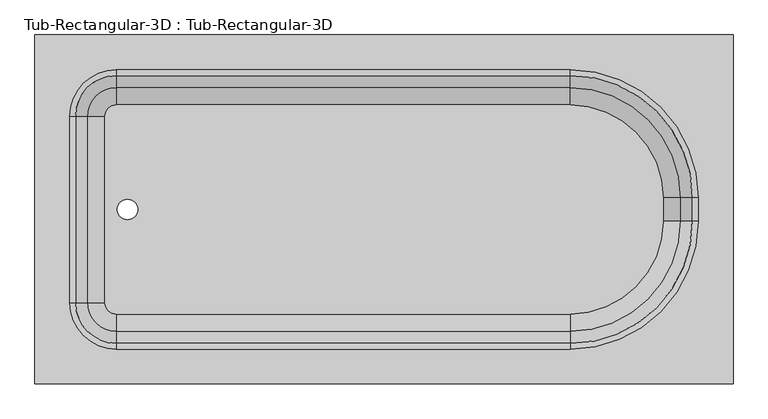
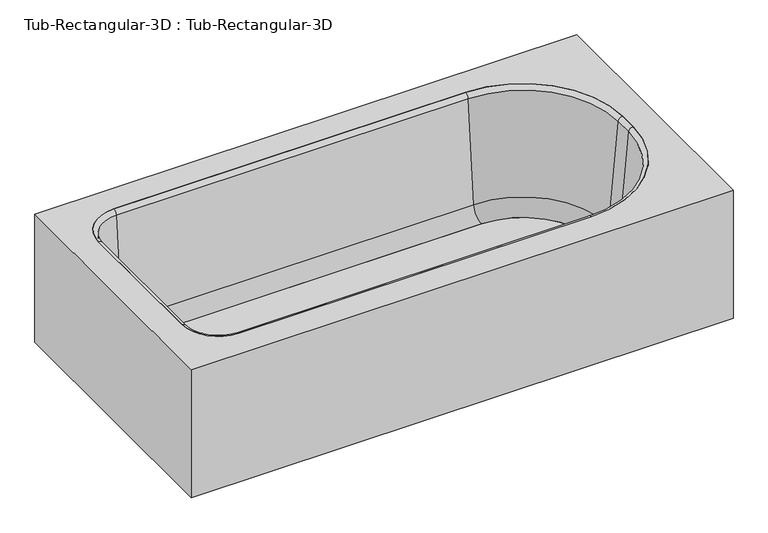
"""IFC4 building model written with IfcOpenShell, lengths in millimetres: flow terminal geometry, Tub-Rectangular-3D : Tub-Rectangular-3D."""

from ifc_helpers import new_model, si_unit, point, frame, frame_2d, origin, place, context, project, spatial, polyline, circle_curve, ellipse_curve, trimmed, segment, composite_curve, outline, extrude, source, transform, mapped, element, save
from ifc_brep_helpers import plane_surface, cylinder_surface, revolved_surface, advanced_brep


def tub_rectangular_3d_tub_rectangular_3d_260881e7(model_context):
    return source(origin(), model_context, "Body", "SolidModel", [
        advanced_brep(
        [(413.3970313, 831.85, 381.0), (-1110.6029687, 831.85, 381.0), (-1110.6029687, 69.85, 381.0), (413.3970313, 69.85, 381.0), (-932.8029687, 755.65, 381.0), (57.7970313, 755.65, 381.0), (337.1970313, 476.25, 381.0), (337.1970313, 425.45, 381.0), (57.7970313, 146.05, 381.0), (-932.8029687, 146.05, 381.0), (-1034.4029687, 247.65, 381.0), (-1034.4029687, 654.05, 381.0), (394.3470313, 812.8, 361.95), (394.3470313, 88.9, 361.95), (-1091.5529687, 88.9, 361.95), (-1091.5529687, 812.8, 361.95), (-932.8029687, 755.65, 361.95), (-1034.4029687, 654.05, 361.95), (-1034.4029687, 247.65, 361.95), (-932.8029687, 146.05, 361.95), (57.7970313, 146.05, 361.95), (337.1970313, 425.45, 361.95), (337.1970313, 476.25, 361.95), (57.7970313, 755.65, 361.95), (413.3970313, 831.85, 0.0), (-1110.6029687, 831.85, 0.0), (-1110.6029687, 69.85, 0.0), (413.3970313, 69.85, 0.0), (394.3470313, 812.8, 0.0), (-1091.5529687, 812.8, 0.0), (-1091.5529687, 88.9, 0.0), (394.3470313, 88.9, 0.0)],
        [
            (0, 1),
            (1, 2),
            (2, 3),
            (3, 0),
            (4, 5),
            (5, 6, circle_curve(frame((57.7970313, 476.25, 381.0), z_axis=(0.0, 0.0, -1.0), x_axis=(0.0, 1.0, 0.0)), 279.4)),
            (6, 7),
            (7, 8, circle_curve(frame((57.7970313, 425.45, 381.0), z_axis=(0.0, 0.0, -1.0), x_axis=(0.0, 1.0, 0.0)), 279.4)),
            (8, 9),
            (9, 10, circle_curve(frame((-932.8029687, 247.65, 381.0), z_axis=(0.0, 0.0, -1.0), x_axis=(0.0, 1.0, 0.0)), 101.6)),
            (10, 11),
            (11, 4, circle_curve(frame((-932.8029687, 654.05, 381.0), z_axis=(0.0, 0.0, -1.0), x_axis=(0.0, 1.0, 0.0)), 101.6)),
            (12, 13),
            (13, 14),
            (14, 15),
            (15, 12),
            (16, 17, circle_curve(frame((-932.8029687, 654.05, 361.95), z_axis=(0.0, 0.0, 1.0), x_axis=(0.0, 1.0, 0.0)), 101.6)),
            (17, 18),
            (18, 19, circle_curve(frame((-932.8029687, 247.65, 361.95), z_axis=(0.0, 0.0, 1.0), x_axis=(0.0, 1.0, 0.0)), 101.6)),
            (19, 20),
            (20, 21, circle_curve(frame((57.7970313, 425.45, 361.95), z_axis=(0.0, 0.0, 1.0), x_axis=(0.0, 1.0, 0.0)), 279.4)),
            (21, 22),
            (22, 23, circle_curve(frame((57.7970313, 476.25, 361.95), z_axis=(0.0, 0.0, 1.0), x_axis=(0.0, 1.0, 0.0)), 279.4)),
            (23, 16),
            (0, 24),
            (24, 25),
            (25, 1),
            (25, 26),
            (26, 2),
            (26, 27),
            (27, 3),
            (27, 24),
            (4, 16),
            (23, 5),
            (22, 6),
            (21, 7),
            (20, 8),
            (19, 9),
            (18, 10),
            (17, 11),
            (28, 29),
            (29, 30),
            (30, 31),
            (31, 28),
            (31, 13),
            (12, 28),
            (30, 14),
            (29, 15),
        ],
        [
            plane_surface(frame((-1110.6029687, 831.85, 381.0), z_axis=(0.0, 0.0, 1.0), x_axis=(-1.0, 0.0, 0.0))),
            plane_surface(frame((-1110.6029687, 831.85, 361.95), z_axis=(0.0, 0.0, -1.0), x_axis=(1.0, 0.0, 0.0))),
            plane_surface(frame((413.3970313, 831.85, 381.0), z_axis=(0.0, 1.0, 0.0), x_axis=(0.0, 0.0, -1.0))),
            plane_surface(frame((-1110.6029687, 831.85, 381.0), z_axis=(-1.0, 0.0, 0.0), x_axis=(0.0, 0.0, -1.0))),
            plane_surface(frame((-1110.6029687, 69.85, 381.0), z_axis=(0.0, -1.0, 0.0), x_axis=(0.0, 0.0, -1.0))),
            plane_surface(frame((413.3970313, 69.85, 381.0), z_axis=(1.0, 0.0, 0.0), x_axis=(0.0, 0.0, -1.0))),
            plane_surface(frame((-932.8029687, 755.65, 381.0), z_axis=(0.0, -1.0, 0.0), x_axis=(0.0, 0.0, -1.0))),
            revolved_surface(polyline([(57.7970313, 755.65, 361.95), (57.7970313, 755.65, 381.0)]), (57.7970313, 476.25, 381.0), (0.0, 0.0, -1.0)),
            plane_surface(frame((337.1970313, 476.25, 381.0), z_axis=(-1.0, 0.0, 0.0), x_axis=(0.0, 0.0, -1.0))),
            revolved_surface(polyline([(57.7970313, 704.8499999999999, 361.95), (57.7970313, 704.8499999999999, 381.0)]), (57.7970313, 425.45, 381.0), (0.0, 0.0, -1.0)),
            plane_surface(frame((57.7970313, 146.05, 381.0), z_axis=(0.0, 1.0, 0.0), x_axis=(0.0, 0.0, -1.0))),
            revolved_surface(polyline([(-932.8029687, 349.25, 361.95), (-932.8029687, 349.25, 381.0)]), (-932.8029687, 247.65, 381.0), (0.0, 0.0, -1.0)),
            plane_surface(frame((-1034.4029687, 247.65, 381.0), z_axis=(1.0, 0.0, 0.0), x_axis=(0.0, 0.0, -1.0))),
            revolved_surface(polyline([(-932.8029687, 755.65, 361.95), (-932.8029687, 755.65, 381.0)]), (-932.8029687, 654.05, 381.0), (0.0, 0.0, -1.0)),
            plane_surface(frame((-1110.6029687, 831.85, 0.0), z_axis=(0.0, 0.0, -1.0), x_axis=(1.0, 0.0, 0.0))),
            plane_surface(frame((394.3470313, 812.8, 361.95), z_axis=(-1.0, 0.0, 0.0), x_axis=(0.0, 0.0, -1.0))),
            plane_surface(frame((394.3470313, 88.9, 361.95), z_axis=(0.0, 1.0, 0.0), x_axis=(0.0, 0.0, -1.0))),
            plane_surface(frame((-1091.5529687, 88.9, 361.95), z_axis=(1.0, 0.0, 0.0), x_axis=(0.0, 0.0, -1.0))),
            plane_surface(frame((-1091.5529687, 812.8, 361.95), z_axis=(0.0, -1.0, 0.0), x_axis=(0.0, 0.0, -1.0))),
        ],
        [
            (0, [[1, 2, 3, 4], [5, 6, 7, 8, 9, 10, 11, 12]]),
            (1, [[13, 14, 15, 16], [17, 18, 19, 20, 21, 22, 23, 24]]),
            (2, [[-1, 25, 26, 27]]),
            (3, [[-2, -27, 28, 29]]),
            (4, [[-3, -29, 30, 31]]),
            (5, [[-25, -4, -31, 32]]),
            (6, [[-5, 33, -24, 34]]),
            (7, [[-6, -34, -23, 35]]),
            (8, [[-7, -35, -22, 36]]),
            (9, [[-8, -36, -21, 37]]),
            (10, [[-9, -37, -20, 38]]),
            (11, [[-10, -38, -19, 39]]),
            (12, [[-11, -39, -18, 40]]),
            (13, [[-12, -40, -17, -33]]),
            (14, [[-32, -30, -28, -26], [41, 42, 43, 44]]),
            (15, [[-44, 45, -13, 46]]),
            (16, [[-43, 47, -14, -45]]),
            (17, [[-42, 48, -15, -47]]),
            (18, [[-41, -46, -16, -48]]),
        ],
    ),
        extrude(outline(composite_curve([segment(trimmed(circle_curve(frame_2d((57.7970313, 476.25)), 202.7964741), [point((57.7970313, 679.0464741))], [point((260.5935054, 476.25))], False, "CARTESIAN"), True, "CONTINUOUS"), segment(polyline([(260.5935054, 476.25), (260.5935054, 425.45)]), True, "CONTINUOUS"), segment(trimmed(circle_curve(frame_2d((57.7970313, 425.45)), 202.7964741), [point((260.5935054, 425.45))], [point((57.7970313, 222.6535259))], False, "CARTESIAN"), True, "CONTINUOUS"), segment(polyline([(57.7970313, 222.6535259), (-932.8029687, 222.6535259)]), True, "CONTINUOUS"), segment(trimmed(circle_curve(frame_2d((-932.8029687, 247.65)), 24.9964741), [point((-932.8029687, 222.6535259))], [point((-957.7994428, 247.65))], False, "CARTESIAN"), True, "CONTINUOUS"), segment(polyline([(-957.7994428, 247.65), (-957.7994428, 654.05)]), True, "CONTINUOUS"), segment(trimmed(circle_curve(frame_2d((-932.8029687, 654.05)), 24.9964741), [point((-957.7994428, 654.05))], [point((-932.8029687, 679.0464741))], False, "CARTESIAN"), True, "CONTINUOUS"), segment(polyline([(-932.8029687, 679.0464741), (57.7970313, 679.0464741)]), True, "CONTINUOUS")], self_intersect=False), holes=[composite_curve([segment(trimmed(circle_curve(frame_2d((-908.510206, 450.85)), 22.225), [point((-908.510206, 473.075))], [point((-908.510206, 428.625))], True, "CARTESIAN"), True, "CONTINUOUS"), segment(trimmed(circle_curve(frame_2d((-908.510206, 450.85)), 22.225), [point((-908.510206, 428.625))], [point((-908.510206, 473.075))], True, "CARTESIAN"), True, "CONTINUOUS")], self_intersect=False)]), frame((0.0, 0.0, 16.863573), z_axis=(0.0, 0.0, 1.0), x_axis=(1.0, 0.0, 0.0)), (0.0, 0.0, 1.0), 19.05),
        advanced_brep(
        [(-995.7544608, 654.05, 70.6929392), (-932.8029687, 717.0014921, 70.6929392), (-932.8029687, 743.1720035, 369.8232535), (-1021.9249722, 654.05, 369.8232535), (-957.7994428, 654.05, 35.913573), (-932.8029687, 679.0464741, 35.913573), (-957.7994428, 654.05, 16.863573), (-932.8029687, 679.0464741, 16.863573), (-1034.4029687, 654.05, 16.863573), (-932.8029687, 755.65, 16.863573), (-1034.4029687, 654.05, 381.0), (-932.8029687, 755.65, 381.0), (-1021.9249722, 247.65, 369.8232535), (-995.7544608, 247.65, 70.6929392), (-957.7994428, 247.65, 35.913573), (-957.7994428, 247.65, 16.863573), (-1034.4029687, 247.65, 16.863573), (-1034.4029687, 247.65, 381.0), (-932.8029687, 184.6985079, 70.6929392), (-932.8029687, 158.5279965, 369.8232535), (-932.8029687, 222.6535259, 35.913573), (-932.8029687, 222.6535259, 16.863573), (-932.8029687, 146.05, 16.863573), (-932.8029687, 146.05, 381.0), (57.7970313, 158.5279965, 369.8232535), (57.7970313, 184.6985079, 70.6929392), (57.7970313, 222.6535259, 35.913573), (57.7970313, 222.6535259, 16.863573), (57.7970313, 146.05, 16.863573), (57.7970313, 146.05, 381.0), (298.5485234, 425.45, 70.6929392), (324.7190348, 425.45, 369.8232535), (260.5935054, 425.45, 35.913573), (260.5935054, 425.45, 16.863573), (337.1970313, 425.45, 16.863573), (337.1970313, 425.45, 381.0), (324.7190348, 476.25, 369.8232535), (298.5485234, 476.25, 70.6929392), (260.5935054, 476.25, 35.913573), (260.5935054, 476.25, 16.863573), (337.1970313, 476.25, 16.863573), (337.1970313, 476.25, 381.0), (57.7970313, 717.0014921, 70.6929392), (57.7970313, 743.1720035, 369.8232535), (57.7970313, 679.0464741, 35.913573), (57.7970313, 679.0464741, 16.863573), (57.7970313, 755.65, 16.863573), (57.7970313, 755.65, 381.0)],
        [
            (0, 1, circle_curve(frame((-932.8029687, 654.05, 70.6929392), z_axis=(0.0, 0.0, -1.0), x_axis=(0.0, 1.0, 0.0)), 62.9514921)),
            (1, 2),
            (2, 3, circle_curve(frame((-932.8029687, 654.05, 369.8232535), z_axis=(0.0, 0.0, 1.0), x_axis=(0.0, 1.0, 0.0)), 89.1220035)),
            (3, 0),
            (4, 5, circle_curve(frame((-932.8029687, 654.05, 35.913573), z_axis=(0.0, 0.0, -1.0), x_axis=(0.0, 1.0, 0.0)), 24.9964741)),
            (5, 1, circle_curve(frame((-932.8029687, 679.0464741, 74.013573), z_axis=(1.0, 0.0, 0.0), x_axis=(0.0, -1.0, 0.0)), 38.1)),
            (0, 4, circle_curve(frame((-957.7994428, 654.05, 74.013573), z_axis=(0.0, -1.0, 0.0), x_axis=(1.0, 0.0, 0.0)), 38.1)),
            (6, 7, circle_curve(frame((-932.8029687, 654.05, 16.863573), z_axis=(0.0, 0.0, -1.0), x_axis=(0.0, 1.0, 0.0)), 24.9964741)),
            (7, 5),
            (4, 6),
            (8, 9, circle_curve(frame((-932.8029687, 654.05, 16.863573), z_axis=(0.0, 0.0, -1.0), x_axis=(0.0, 1.0, 0.0)), 101.6)),
            (9, 7),
            (6, 8),
            (10, 11, circle_curve(frame((-932.8029687, 654.05, 381.0), z_axis=(0.0, 0.0, -1.0), x_axis=(0.0, 1.0, 0.0)), 101.6)),
            (11, 9),
            (8, 10),
            (2, 11, circle_curve(frame((-932.8029687, 755.65, 368.4462547), z_axis=(-1.0, 0.0, 0.0), x_axis=(0.0, -1.0, 0.0)), 12.5537453)),
            (10, 3, circle_curve(frame((-1034.4029687, 654.05, 368.4462547), z_axis=(0.0, 1.0, 0.0), x_axis=(1.0, 0.0, 0.0)), 12.5537453)),
            (3, 12),
            (12, 13),
            (13, 0),
            (13, 14, circle_curve(frame((-957.7994428, 247.65, 74.013573), z_axis=(0.0, -1.0, 0.0), x_axis=(1.0, 0.0, 0.0)), 38.1)),
            (14, 4),
            (14, 15),
            (15, 6),
            (15, 16),
            (16, 8),
            (16, 17),
            (17, 10),
            (17, 12, circle_curve(frame((-1034.4029687, 247.65, 368.4462547), z_axis=(0.0, 1.0, 0.0), x_axis=(1.0, 0.0, 0.0)), 12.5537453)),
            (18, 13, circle_curve(frame((-932.8029687, 247.65, 70.6929392), z_axis=(0.0, 0.0, -1.0), x_axis=(-1.0, 0.0, 0.0)), 62.9514921)),
            (12, 19, circle_curve(frame((-932.8029687, 247.65, 369.8232535), z_axis=(0.0, 0.0, 1.0), x_axis=(-1.0, 0.0, 0.0)), 89.1220035)),
            (19, 18),
            (20, 14, circle_curve(frame((-932.8029687, 247.65, 35.913573), z_axis=(0.0, 0.0, -1.0), x_axis=(-1.0, 0.0, 0.0)), 24.9964741)),
            (18, 20, circle_curve(frame((-932.8029687, 222.6535259, 74.013573), z_axis=(1.0, 0.0, 0.0), x_axis=(0.0, 1.0, 0.0)), 38.1)),
            (21, 15, circle_curve(frame((-932.8029687, 247.65, 16.863573), z_axis=(0.0, 0.0, -1.0), x_axis=(-1.0, 0.0, 0.0)), 24.9964741)),
            (20, 21),
            (22, 16, circle_curve(frame((-932.8029687, 247.65, 16.863573), z_axis=(0.0, 0.0, -1.0), x_axis=(-1.0, 0.0, 0.0)), 101.6)),
            (21, 22),
            (23, 17, circle_curve(frame((-932.8029687, 247.65, 381.0), z_axis=(0.0, 0.0, -1.0), x_axis=(-1.0, 0.0, 0.0)), 101.6)),
            (22, 23),
            (23, 19, circle_curve(frame((-932.8029687, 146.05, 368.4462547), z_axis=(-1.0, 0.0, 0.0), x_axis=(0.0, 1.0, 0.0)), 12.5537453)),
            (19, 24),
            (24, 25),
            (25, 18),
            (25, 26, circle_curve(frame((57.7970313, 222.6535259, 74.013573), z_axis=(1.0, 0.0, 0.0), x_axis=(0.0, 1.0, 0.0)), 38.1)),
            (26, 20),
            (26, 27),
            (27, 21),
            (27, 28),
            (28, 22),
            (28, 29),
            (29, 23),
            (29, 24, circle_curve(frame((57.7970313, 146.05, 368.4462547), z_axis=(-1.0, 0.0, 0.0), x_axis=(0.0, 1.0, 0.0)), 12.5537453)),
            (30, 25, circle_curve(frame((57.7970313, 425.45, 70.6929392), z_axis=(0.0, 0.0, -1.0), x_axis=(0.0, -1.0, 0.0)), 240.7514921)),
            (24, 31, circle_curve(frame((57.7970313, 425.45, 369.8232535), z_axis=(0.0, 0.0, 1.0), x_axis=(0.0, -1.0, 0.0)), 266.9220035)),
            (31, 30),
            (32, 26, circle_curve(frame((57.7970313, 425.45, 35.913573), z_axis=(0.0, 0.0, -1.0), x_axis=(0.0, -1.0, 0.0)), 202.7964741)),
            (30, 32, circle_curve(frame((260.5935054, 425.45, 74.013573), z_axis=(0.0, 1.0, 0.0), x_axis=(-1.0, 0.0, 0.0)), 38.1)),
            (33, 27, circle_curve(frame((57.7970313, 425.45, 16.863573), z_axis=(0.0, 0.0, -1.0), x_axis=(0.0, -1.0, 0.0)), 202.7964741)),
            (32, 33),
            (34, 28, circle_curve(frame((57.7970313, 425.45, 16.863573), z_axis=(0.0, 0.0, -1.0), x_axis=(0.0, -1.0, 0.0)), 279.4)),
            (33, 34),
            (35, 29, circle_curve(frame((57.7970313, 425.45, 381.0), z_axis=(0.0, 0.0, -1.0), x_axis=(0.0, -1.0, 0.0)), 279.4)),
            (34, 35),
            (35, 31, circle_curve(frame((337.1970313, 425.45, 368.4462547), z_axis=(0.0, -1.0, 0.0), x_axis=(-1.0, 0.0, 0.0)), 12.5537453)),
            (31, 36),
            (36, 37),
            (37, 30),
            (37, 38, circle_curve(frame((260.5935054, 476.25, 74.013573), z_axis=(0.0, 1.0, 0.0), x_axis=(-1.0, 0.0, 0.0)), 38.1)),
            (38, 32),
            (38, 39),
            (39, 33),
            (39, 40),
            (40, 34),
            (40, 41),
            (41, 35),
            (41, 36, circle_curve(frame((337.1970313, 476.25, 368.4462547), z_axis=(0.0, -1.0, 0.0), x_axis=(-1.0, 0.0, 0.0)), 12.5537453)),
            (42, 37, circle_curve(frame((57.7970313, 476.25, 70.6929392), z_axis=(0.0, 0.0, -1.0), x_axis=(1.0, 0.0, 0.0)), 240.7514921)),
            (36, 43, circle_curve(frame((57.7970313, 476.25, 369.8232535), z_axis=(0.0, 0.0, 1.0), x_axis=(1.0, 0.0, 0.0)), 266.9220035)),
            (43, 42),
            (44, 38, circle_curve(frame((57.7970313, 476.25, 35.913573), z_axis=(0.0, 0.0, -1.0), x_axis=(1.0, 0.0, 0.0)), 202.7964741)),
            (42, 44, circle_curve(frame((57.7970313, 679.0464741, 74.013573), z_axis=(-1.0, 0.0, 0.0), x_axis=(0.0, -1.0, 0.0)), 38.1)),
            (45, 39, circle_curve(frame((57.7970313, 476.25, 16.863573), z_axis=(0.0, 0.0, -1.0), x_axis=(1.0, 0.0, 0.0)), 202.7964741)),
            (44, 45),
            (46, 40, circle_curve(frame((57.7970313, 476.25, 16.863573), z_axis=(0.0, 0.0, -1.0), x_axis=(1.0, 0.0, 0.0)), 279.4)),
            (45, 46),
            (47, 41, circle_curve(frame((57.7970313, 476.25, 381.0), z_axis=(0.0, 0.0, -1.0), x_axis=(1.0, 0.0, 0.0)), 279.4)),
            (46, 47),
            (47, 43, circle_curve(frame((57.7970313, 755.65, 368.4462547), z_axis=(1.0, 0.0, 0.0), x_axis=(0.0, -1.0, 0.0)), 12.5537453)),
            (43, 2),
            (1, 42),
            (5, 44),
            (7, 45),
            (9, 46),
            (11, 47),
        ],
        [
            revolved_surface(polyline([(-932.8029687, 743.1720035, 369.8232535), (-932.8029687, 717.0014921, 70.6929392)]), (-932.8029687, 654.05, 381.0), (0.0, 0.0, 1.0)),
            revolved_surface(trimmed(ellipse_curve(frame((-932.8029687, 679.0464741, 74.013573), z_axis=(-1.0, 0.0, 0.0), x_axis=(0.0, -1.0, 0.0)), 38.1, 38.1), [point((-932.8029687, 717.0014921, 70.6929392))], [point((-932.8029687, 679.0464741, 35.913573))], True, "CARTESIAN"), (-932.8029687, 654.05, 381.0), (0.0, 0.0, 1.0)),
            revolved_surface(polyline([(-932.8029687, 679.0464741, 35.913572999999985), (-932.8029687, 679.0464741, 16.863572999999974)]), (-932.8029687, 654.05, 381.0), (0.0, 0.0, 1.0)),
            plane_surface(frame((-932.8029687, 654.05, 16.863573), z_axis=(0.0, 0.0, -1.0), x_axis=(0.0, 1.0, 0.0))),
            cylinder_surface(frame((-932.8029687, 654.05, 381.0), z_axis=(0.0, 0.0, 1.0), x_axis=(0.0, 1.0, 0.0)), 101.6),
            revolved_surface(trimmed(ellipse_curve(frame((-932.8029687, 755.65, 368.4462547), z_axis=(1.0, 0.0, 0.0), x_axis=(0.0, -1.0, 0.0)), 12.5537453, 12.5537453), [point((-932.8029687, 755.65, 381.0))], [point((-932.8029687, 743.1720035, 369.8232535))], True, "CARTESIAN"), (-932.8029687, 654.05, 381.0), (0.0, 0.0, 1.0)),
            plane_surface(frame((-1021.9249722, 654.05, 369.8232535), z_axis=(0.9961946980917458, 0.0, 0.08715574274765589), x_axis=(0.0, -1.0, 0.0))),
            revolved_surface(polyline([(-919.6994427999999, 247.64999999999998, 74.013573), (-919.6994427999999, 654.05, 74.013573)]), (-957.7994428, 654.05, 74.013573), (0.0, -1.0, 0.0)),
            plane_surface(frame((-957.7994428, 654.05, 35.913573), z_axis=(1.0, 0.0, 0.0), x_axis=(0.0, -1.0, 0.0))),
            plane_surface(frame((-957.7994428, 654.05, 16.863573), z_axis=(0.0, 0.0, -1.0), x_axis=(0.0, -1.0, 0.0))),
            plane_surface(frame((-1034.4029687, 654.05, 16.863573), z_axis=(-1.0, 0.0, 0.0), x_axis=(0.0, -1.0, 0.0))),
            cylinder_surface(frame((-1034.4029687, 654.05, 368.4462547), z_axis=(0.0, 1.0, 0.0), x_axis=(1.0, 0.0, 0.0)), 12.5537453),
            revolved_surface(polyline([(-1021.9249722, 247.65, 369.8232535), (-995.7544608, 247.65, 70.6929392)]), (-932.8029687, 247.65, 381.0), (0.0, 0.0, 1.0)),
            revolved_surface(trimmed(ellipse_curve(frame((-957.7994428, 247.65, 74.013573), z_axis=(0.0, -1.0, 0.0), x_axis=(1.0, 0.0, 0.0)), 38.1, 38.1), [point((-995.7544608, 247.65, 70.6929392))], [point((-957.7994428, 247.65, 35.913573))], True, "CARTESIAN"), (-932.8029687, 247.65, 381.0), (0.0, 0.0, 1.0)),
            revolved_surface(polyline([(-957.7994428, 247.65, 35.913572999999985), (-957.7994428, 247.65, 16.863572999999974)]), (-932.8029687, 247.65, 381.0), (0.0, 0.0, 1.0)),
            plane_surface(frame((-932.8029687, 247.65, 16.863573), z_axis=(0.0, 0.0, -1.0), x_axis=(-1.0, 0.0, 0.0))),
            cylinder_surface(frame((-932.8029687, 247.65, 381.0), z_axis=(0.0, 0.0, 1.0), x_axis=(-1.0, 0.0, 0.0)), 101.6),
            revolved_surface(trimmed(ellipse_curve(frame((-1034.4029687, 247.65, 368.4462547), z_axis=(0.0, 1.0, 0.0), x_axis=(1.0, 0.0, 0.0)), 12.5537453, 12.5537453), [point((-1034.4029687, 247.65, 381.0))], [point((-1021.9249722, 247.65, 369.8232535))], True, "CARTESIAN"), (-932.8029687, 247.65, 381.0), (0.0, 0.0, 1.0)),
            plane_surface(frame((-932.8029687, 158.5279965, 369.8232535), z_axis=(0.0, 0.9961946980917461, 0.08715574274765266), x_axis=(1.0, 0.0, 0.0))),
            revolved_surface(polyline([(57.79703129999996, 260.7535259, 74.013573), (-932.8029687, 260.7535259, 74.013573)]), (-932.8029687, 222.6535259, 74.013573), (1.0, 0.0, 0.0)),
            plane_surface(frame((-932.8029687, 222.6535259, 35.913573), z_axis=(0.0, 1.0, 0.0), x_axis=(1.0, 0.0, 0.0))),
            plane_surface(frame((-932.8029687, 222.6535259, 16.863573), z_axis=(0.0, 0.0, -1.0), x_axis=(1.0, 0.0, 0.0))),
            plane_surface(frame((-932.8029687, 146.05, 16.863573), z_axis=(0.0, -1.0, 0.0), x_axis=(1.0, 0.0, 0.0))),
            cylinder_surface(frame((-932.8029687, 146.05, 368.4462547), z_axis=(-1.0, 0.0, 0.0), x_axis=(0.0, 1.0, 0.0)), 12.5537453),
            revolved_surface(polyline([(57.7970313, 158.5279965, 369.8232535), (57.7970313, 184.6985079, 70.6929392)]), (57.7970313, 425.45, 381.0), (0.0, 0.0, 1.0)),
            revolved_surface(trimmed(ellipse_curve(frame((57.7970313, 222.6535259, 74.013573), z_axis=(1.0, 0.0, 0.0), x_axis=(0.0, 1.0, 0.0)), 38.1, 38.1), [point((57.7970313, 184.6985079, 70.6929392))], [point((57.7970313, 222.6535259, 35.913573))], True, "CARTESIAN"), (57.7970313, 425.45, 381.0), (0.0, 0.0, 1.0)),
            revolved_surface(polyline([(57.7970313, 222.65352589999998, 35.913572999999985), (57.7970313, 222.65352589999998, 16.863572999999974)]), (57.7970313, 425.45, 381.0), (0.0, 0.0, 1.0)),
            plane_surface(frame((57.7970313, 425.45, 16.863573), z_axis=(0.0, 0.0, -1.0), x_axis=(0.0, -1.0, 0.0))),
            cylinder_surface(frame((57.7970313, 425.45, 381.0), z_axis=(0.0, 0.0, 1.0), x_axis=(0.0, -1.0, 0.0)), 279.4),
            revolved_surface(trimmed(ellipse_curve(frame((57.7970313, 146.05, 368.4462547), z_axis=(-1.0, 0.0, 0.0), x_axis=(0.0, 1.0, 0.0)), 12.5537453, 12.5537453), [point((57.7970313, 146.05, 381.0))], [point((57.7970313, 158.5279965, 369.8232535))], True, "CARTESIAN"), (57.7970313, 425.45, 381.0), (0.0, 0.0, 1.0)),
            plane_surface(frame((324.7190348, 425.45, 369.8232535), z_axis=(-0.9961946980917464, 0.0, 0.08715574274764942), x_axis=(0.0, 1.0, 0.0))),
            revolved_surface(polyline([(222.49350540000003, 476.25, 74.013573), (222.49350540000003, 425.45, 74.013573)]), (260.5935054, 425.45, 74.013573), (0.0, 1.0, 0.0)),
            plane_surface(frame((260.5935054, 425.45, 35.913573), z_axis=(-1.0, 0.0, 0.0), x_axis=(0.0, 1.0, 0.0))),
            plane_surface(frame((260.5935054, 425.45, 16.863573), z_axis=(0.0, 0.0, -1.0), x_axis=(0.0, 1.0, 0.0))),
            plane_surface(frame((337.1970313, 425.45, 16.863573), z_axis=(1.0, 0.0, 0.0), x_axis=(0.0, 1.0, 0.0))),
            cylinder_surface(frame((337.1970313, 425.45, 368.4462547), z_axis=(0.0, -1.0, 0.0), x_axis=(-1.0, 0.0, 0.0)), 12.5537453),
            revolved_surface(polyline([(324.7190348, 476.25, 369.8232535), (298.5485234, 476.25, 70.6929392)]), (57.7970313, 476.25, 381.0), (0.0, 0.0, 1.0)),
            revolved_surface(trimmed(ellipse_curve(frame((260.5935054, 476.25, 74.013573), z_axis=(0.0, 1.0, 0.0), x_axis=(-1.0, 0.0, 0.0)), 38.1, 38.1), [point((298.5485234, 476.25, 70.6929392))], [point((260.5935054, 476.25, 35.913573))], True, "CARTESIAN"), (57.7970313, 476.25, 381.0), (0.0, 0.0, 1.0)),
            revolved_surface(polyline([(260.5935054, 476.25, 35.913572999999985), (260.5935054, 476.25, 16.863572999999974)]), (57.7970313, 476.25, 381.0), (0.0, 0.0, 1.0)),
            plane_surface(frame((57.7970313, 476.25, 16.863573), z_axis=(0.0, 0.0, -1.0), x_axis=(1.0, 0.0, 0.0))),
            cylinder_surface(frame((57.7970313, 476.25, 381.0), z_axis=(0.0, 0.0, 1.0), x_axis=(1.0, 0.0, 0.0)), 279.4),
            revolved_surface(trimmed(ellipse_curve(frame((337.1970313, 476.25, 368.4462547), z_axis=(0.0, -1.0, 0.0), x_axis=(-1.0, 0.0, 0.0)), 12.5537453, 12.5537453), [point((337.1970313, 476.25, 381.0))], [point((324.7190348, 476.25, 369.8232535))], True, "CARTESIAN"), (57.7970313, 476.25, 381.0), (0.0, 0.0, 1.0)),
            plane_surface(frame((57.7970313, 743.1720035, 369.8232535), z_axis=(0.0, -0.9961946980917461, 0.08715574274765266), x_axis=(-1.0, 0.0, 0.0))),
            revolved_surface(polyline([(-932.8029687, 640.9464740999999, 74.013573), (57.7970313, 640.9464740999999, 74.013573)]), (57.7970313, 679.0464741, 74.013573), (-1.0, 0.0, 0.0)),
            plane_surface(frame((57.7970313, 679.0464741, 35.913573), z_axis=(0.0, -1.0, 0.0), x_axis=(-1.0, 0.0, 0.0))),
            plane_surface(frame((57.7970313, 679.0464741, 16.863573), z_axis=(0.0, 0.0, -1.0), x_axis=(-1.0, 0.0, 0.0))),
            plane_surface(frame((57.7970313, 755.65, 16.863573), z_axis=(0.0, 1.0, 0.0), x_axis=(-1.0, 0.0, 0.0))),
            cylinder_surface(frame((57.7970313, 755.65, 368.4462547), z_axis=(1.0, 0.0, 0.0), x_axis=(0.0, -1.0, 0.0)), 12.5537453),
        ],
        [
            (0, [[1, 2, 3, 4]]),
            (1, [[5, 6, -1, 7]]),
            (2, [[8, 9, -5, 10]]),
            (3, [[11, 12, -8, 13]]),
            (4, [[14, 15, -11, 16]]),
            (5, [[-3, 17, -14, 18]]),
            (6, [[-4, 19, 20, 21]]),
            (7, [[-7, -21, 22, 23]]),
            (8, [[-10, -23, 24, 25]]),
            (9, [[-13, -25, 26, 27]]),
            (10, [[-16, -27, 28, 29]]),
            (11, [[-18, -29, 30, -19]]),
            (12, [[31, -20, 32, 33]]),
            (13, [[34, -22, -31, 35]]),
            (14, [[36, -24, -34, 37]]),
            (15, [[38, -26, -36, 39]]),
            (16, [[40, -28, -38, 41]]),
            (17, [[-32, -30, -40, 42]]),
            (18, [[-33, 43, 44, 45]]),
            (19, [[-35, -45, 46, 47]]),
            (20, [[-37, -47, 48, 49]]),
            (21, [[-39, -49, 50, 51]]),
            (22, [[-41, -51, 52, 53]]),
            (23, [[-42, -53, 54, -43]]),
            (24, [[55, -44, 56, 57]]),
            (25, [[58, -46, -55, 59]]),
            (26, [[60, -48, -58, 61]]),
            (27, [[62, -50, -60, 63]]),
            (28, [[64, -52, -62, 65]]),
            (29, [[-56, -54, -64, 66]]),
            (30, [[-57, 67, 68, 69]]),
            (31, [[-59, -69, 70, 71]]),
            (32, [[-61, -71, 72, 73]]),
            (33, [[-63, -73, 74, 75]]),
            (34, [[-65, -75, 76, 77]]),
            (35, [[-66, -77, 78, -67]]),
            (36, [[79, -68, 80, 81]]),
            (37, [[82, -70, -79, 83]]),
            (38, [[84, -72, -82, 85]]),
            (39, [[86, -74, -84, 87]]),
            (40, [[88, -76, -86, 89]]),
            (41, [[-80, -78, -88, 90]]),
            (42, [[-81, 91, -2, 92]]),
            (43, [[-83, -92, -6, 93]]),
            (44, [[-85, -93, -9, 94]]),
            (45, [[-87, -94, -12, 95]]),
            (46, [[-89, -95, -15, 96]]),
            (47, [[-90, -96, -17, -91]]),
        ],
    ),
    ])


if __name__ == "__main__":
    model = new_model("IFC4")
    model_context = context("Model", 3, world=origin())
    ifc_project = project(units=[si_unit("LENGTHUNIT", "METRE", prefix="MILLI")], contexts=[model_context])
    site = spatial("IfcSite", under=ifc_project)
    building = spatial("IfcBuilding", under=site)
    placement = place(None, origin())
    tub_rectangular_3d_tub_rectangular_3d_shape = tub_rectangular_3d_tub_rectangular_3d_260881e7(model_context)
    element("IfcFlowTerminal", 1, ObjectType="Tub-Rectangular-3D : Tub-Rectangular-3D", at=placement, inside=building, context=model_context, shape_type="MappedRepresentation", body=[
        mapped(tub_rectangular_3d_tub_rectangular_3d_shape, transform((0.0, 0.0, 0.0), x_axis=(1.0, 0.0, 0.0), y_axis=(0.0, 1.0, 0.0), z_axis=(0.0, 0.0, 1.0))),
    ])
    save(model, "model.ifc")
